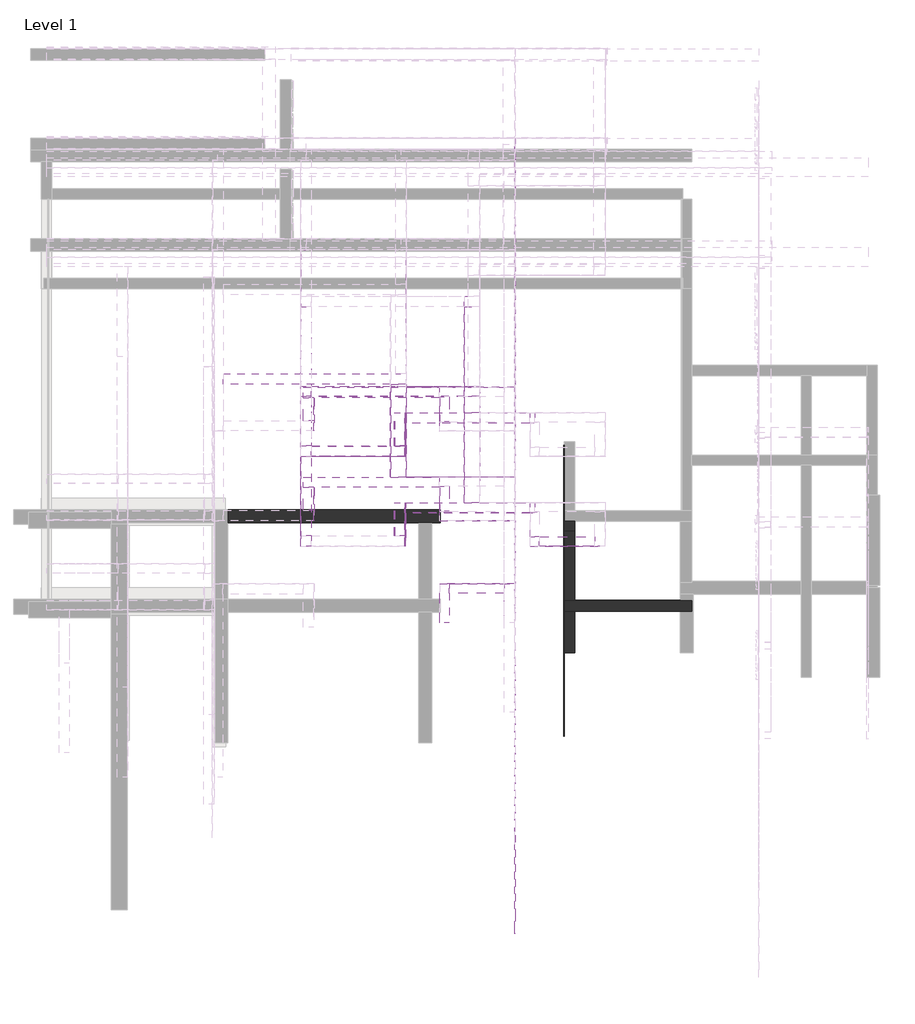
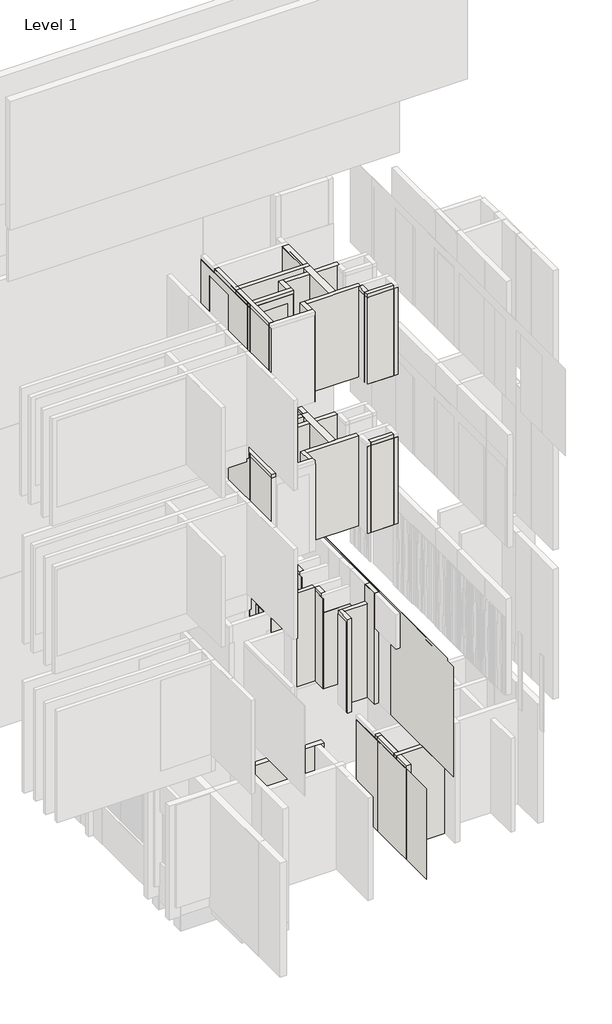
# One storey, part 3 of 16: 67 walls.
"""IFC4 building model written with IfcOpenShell, lengths in millimetres."""

from ifc_helpers import new_model, si_unit, frame, origin, origin_with_axes, place, context, project, spatial, polyline, outline, extrude, faceted_brep, element, save

model = new_model("IFC4")

# Units and contexts
model_context = context("Model", 3, world=origin())
ifc_project = project(units=[si_unit("LENGTHUNIT", "METRE", prefix="MILLI")], contexts=[model_context])

# Site, building, storey
site = spatial("IfcSite", under=ifc_project)
building = spatial("IfcBuilding", under=site)
storey = spatial("IfcBuildingStorey", under=building, Name="Level 1", Elevation=0.0)

# Walls
placement = place(None, origin())
element("IfcWall", 1, at=placement, inside=storey, context=model_context, shape_type="Brep", body=[
    faceted_brep([(8486.7910444, 5235.4496323, 2700.0), (8486.7910444, 5235.4496323, 0.0), (8368.7910444, 5235.4496323, 0.0), (8366.7910444, 5235.4496323, 0.0), (7158.7910444, 5235.4496323, 0.0), (7156.7910444, 5235.4496323, 0.0), (7038.7910444, 5235.4496323, 0.0), (7038.7910444, 5235.4496323, 2700.0), (7156.7910444, 5235.4496323, 2700.0), (7158.7910444, 5235.4496323, 2700.0), (8486.7910444, 5117.4496323, 0.0), (8486.7910444, 5117.4496323, 2700.0), (7038.7910444, 5117.4496323, 2700.0), (7038.7910444, 5117.4496323, 0.0)], [[[0, 1, 2, 3, 4, 5, 6, 7, 8, 9]], [[10, 11, 12, 13]], [[6, 5, 4, 3, 2, 1, 10, 13]], [[0, 9, 8, 7, 12, 11]], [[0, 11, 10, 1]], [[7, 6, 13, 12]]]),
])
element("IfcWall", 2, at=placement, inside=storey, context=model_context, shape_type="Brep", body=[
    faceted_brep([(6081.7910444, 7665.119403, 13100.0), (5950.7910444, 7665.119403, 13100.0), (4171.7910444, 7665.119403, 13100.0), (4053.7910444, 7665.119403, 13100.0), (4053.7910444, 7665.119403, 15700.0), (4171.7910444, 7665.119403, 15700.0), (5950.7910444, 7665.119403, 15700.0), (6081.7910444, 7665.119403, 15700.0), (6081.7910444, 7547.119403, 13100.0), (6081.7910444, 7547.119403, 15700.0), (5905.7910444, 7547.119403, 15700.0), (4171.7910444, 7547.119403, 15700.0), (4053.7910444, 7547.119403, 15700.0), (4053.7910444, 7547.119403, 13100.0), (4171.7910444, 7547.119403, 13100.0), (5905.7910444, 7547.119403, 13100.0)], [[[0, 1, 2, 3, 4, 5, 6, 7]], [[8, 9, 10, 11, 12, 13, 14, 15]], [[3, 2, 1, 0, 8, 15, 14, 13]], [[7, 6, 5, 4, 12, 11, 10, 9]], [[4, 3, 13, 12]], [[0, 7, 9, 8]]]),
])
element("IfcWall", 3, at=placement, inside=storey, context=model_context, shape_type="SweptSolid", body=[
    extrude(outline(polyline([(4053.7910444, 5970.119403), (4053.7910444, 7547.119403), (4171.7910444, 7547.119403), (4171.7910444, 5970.119403), (4053.7910444, 5970.119403)])), frame((0.0, 0.0, 13100.0), z_axis=(0.0, 0.0, 1.0), x_axis=(1.0, 0.0, 0.0)), (0.0, 0.0, 1.0), 2600.0),
])
element("IfcWall", 4, at=placement, inside=storey, context=model_context, shape_type="Brep", body=[
    faceted_brep([(6081.7910444, 6345.119403, 8800.0), (6081.7910444, 7665.119403, 8800.0), (6081.7910444, 7665.119403, 11400.0), (6081.7910444, 6345.119403, 11400.0), (5905.7910444, 6345.119403, 8800.0), (5905.7910444, 6345.119403, 11400.0), (5905.7910444, 7547.119403, 11400.0), (5905.7910444, 7665.119403, 11400.0), (5905.7910444, 7665.119403, 8800.0), (5905.7910444, 7547.119403, 8800.0)], [[[0, 1, 2, 3]], [[4, 5, 6, 7, 8, 9]], [[1, 0, 4, 9, 8]], [[3, 2, 7, 6, 5]], [[0, 3, 5, 4]], [[2, 1, 8, 7]]]),
])
element("IfcWall", 5, at=placement, inside=storey, context=model_context, shape_type="Brep", body=[
    faceted_brep([(7038.7910444, 6022.4496323, 0.0), (7038.7910444, 5235.4496323, 0.0), (7038.7910444, 5235.4496323, 2700.0), (7038.7910444, 6022.4496323, 2700.0), (7156.7910444, 6022.4496323, 0.0), (7156.7910444, 6022.4496323, 2700.0), (7156.7910444, 5235.4496323, 2700.0), (7156.7910444, 5235.4496323, 2600.0), (7156.7910444, 5235.4496323, 0.0), (7156.7910444, 5237.4496323, 0.0)], [[[0, 1, 2, 3]], [[4, 5, 6, 7, 8, 9]], [[1, 0, 4, 9, 8]], [[3, 2, 6, 5]], [[0, 3, 5, 4]], [[1, 8, 7, 6, 2]]]),
])
element("IfcWall", 6, at=placement, inside=storey, context=model_context, shape_type="Brep", body=[
    faceted_brep([(7386.7910444, 5957.119403, 13100.0), (6758.7910444, 5957.119403, 13100.0), (6653.7910444, 5957.119403, 13100.0), (6653.7910444, 5957.119403, 15700.0), (6758.7910444, 5957.119403, 15700.0), (7386.7910444, 5957.119403, 15700.0), (7386.7910444, 5852.119403, 13100.0), (7386.7910444, 5852.119403, 15700.0), (6653.7910444, 5852.119403, 15700.0), (6653.7910444, 5852.119403, 13100.0)], [[[0, 1, 2, 3, 4, 5]], [[6, 7, 8, 9]], [[2, 1, 0, 6, 9]], [[5, 4, 3, 8, 7]], [[0, 5, 7, 6]], [[3, 2, 9, 8]]]),
])
element("IfcWall", 7, at=placement, inside=storey, context=model_context, shape_type="SweptSolid", body=[
    extrude(outline(polyline([(6758.7910444, 6240.119403), (6758.7910444, 5957.119403), (6653.7910444, 5957.119403), (6653.7910444, 6227.119403), (6706.2910444, 6227.119403), (6706.2910444, 6240.119403), (6758.7910444, 6240.119403)])), frame((0.0, 0.0, 13100.0), z_axis=(0.0, 0.0, 1.0), x_axis=(1.0, 0.0, 0.0)), (0.0, 0.0, 1.0), 2600.0),
])
element("IfcWall", 8, at=placement, inside=storey, context=model_context, shape_type="Brep", body=[
    faceted_brep([(5231.7910444, 5970.119403, 13100.0), (5231.7910444, 6227.119403, 13100.0), (5231.7910444, 6345.119403, 13100.0), (5231.7910444, 6345.119403, 15700.0), (5231.7910444, 6227.119403, 15700.0), (5231.7910444, 5970.119403, 15700.0), (5113.7910444, 5970.119403, 13100.0), (5113.7910444, 5970.119403, 15700.0), (5113.7910444, 6345.119403, 15700.0), (5113.7910444, 6345.119403, 13100.0)], [[[0, 1, 2, 3, 4, 5]], [[6, 7, 8, 9]], [[2, 1, 0, 6, 9]], [[5, 4, 3, 8, 7]], [[0, 5, 7, 6]], [[3, 2, 9, 8]]]),
])
element("IfcWall", 9, at=placement, inside=storey, context=model_context, shape_type="SweptSolid", body=[
    extrude(outline(polyline([(8355.7910444, 5235.4496323), (7156.7910444, 5235.4496323), (7156.7910444, 5237.4496323), (8355.7910444, 5237.4496323), (8355.7910444, 5235.4496323)])), origin_with_axes(), (0.0, 0.0, 1.0), 2600.0),
])
element("IfcWall", 10, at=placement, inside=storey, context=model_context, shape_type="SweptSolid", body=[
    extrude(outline(polyline([(7158.7910444, 5822.4496323), (7158.7910444, 5235.4496323), (7156.7910444, 5235.4496323), (7156.7910444, 5822.4496323), (7158.7910444, 5822.4496323)])), origin_with_axes(), (0.0, 0.0, 1.0), 2700.0),
])
element("IfcWall", 11, at=placement, inside=storey, context=model_context, shape_type="SweptSolid", body=[
    extrude(outline(polyline([(7036.7910444, 3699.119403), (7036.7910444, 5980.4496323), (7038.7910444, 5980.4496323), (7038.7910444, 3699.119403), (7036.7910444, 3699.119403)])), origin_with_axes(), (0.0, 0.0, 1.0), 2600.0),
])
element("IfcWall", 12, at=placement, inside=storey, context=model_context, shape_type="Brep", body=[
    faceted_brep([(4203.7910444, 6142.119403, 4500.0), (4203.7910444, 6513.619403, 4500.0), (4203.7910444, 6513.619403, 7100.0), (4203.7910444, 6142.119403, 7100.0), (4203.7910444, 6142.119403, 6700.0), (4201.7910444, 6142.119403, 4500.0), (4201.7910444, 6142.119403, 7100.0), (4201.7910444, 6513.619403, 7100.0), (4201.7910444, 6513.619403, 4500.0)], [[[0, 1, 2, 3, 4]], [[5, 6, 7, 8]], [[1, 0, 5, 8]], [[2, 1, 8, 7]], [[3, 2, 7, 6]], [[0, 4, 3, 6, 5]]]),
])
element("IfcWall", 13, at=placement, inside=storey, context=model_context, shape_type="Brep", body=[
    faceted_brep([(5626.7910444, 6513.619403, 4500.0), (5626.7910444, 6140.119403, 4500.0), (5626.7910444, 6140.119403, 7100.0), (5626.7910444, 6513.619403, 7100.0), (5628.7910444, 6513.619403, 4500.0), (5628.7910444, 6513.619403, 7100.0), (5628.7910444, 6140.119403, 7100.0), (5628.7910444, 6140.119403, 6700.0), (5628.7910444, 6140.119403, 4500.0), (5628.7910444, 6142.119403, 4500.0)], [[[0, 1, 2, 3]], [[4, 5, 6, 7, 8, 9]], [[1, 0, 4, 9, 8]], [[3, 2, 6, 5]], [[0, 3, 5, 4]], [[2, 1, 8, 7, 6]]]),
])
element("IfcWall", 14, at=placement, inside=storey, context=model_context, shape_type="Brep", body=[
    faceted_brep([(5628.7910444, 6140.119403, 4500.0), (6479.7910444, 6140.119403, 4500.0), (6479.7910444, 6140.119403, 4508.0), (6481.7910444, 6140.119403, 4508.0), (6481.7910444, 6140.119403, 6700.0), (5628.7910444, 6140.119403, 6700.0), (5628.7910444, 6142.119403, 4500.0), (5628.7910444, 6142.119403, 6700.0), (6479.7910444, 6142.119403, 6700.0), (6481.7910444, 6142.119403, 6700.0), (6481.7910444, 6142.119403, 4508.0), (6479.7910444, 6142.119403, 4508.0), (6479.7910444, 6142.119403, 4500.0), (6361.7910444, 6142.119403, 4500.0)], [[[0, 1, 2, 3, 4, 5]], [[6, 7, 8, 9, 10, 11, 12, 13]], [[1, 0, 6, 13, 12]], [[5, 4, 9, 8, 7]], [[0, 5, 7, 6]], [[10, 3, 2, 11]], [[2, 1, 12, 11]], [[4, 3, 10, 9]]]),
])
element("IfcWall", 15, at=placement, inside=storey, context=model_context, shape_type="Brep", body=[
    faceted_brep([(6481.7910444, 6637.119403, 4500.0), (5248.7910444, 6637.119403, 4500.0), (5246.7910444, 6637.119403, 4500.0), (5246.7910444, 6637.119403, 6800.0), (5248.7910444, 6637.119403, 6800.0), (6479.7910444, 6637.119403, 6800.0), (6479.7910444, 6637.119403, 6700.0), (6481.7910444, 6637.119403, 6700.0), (6481.7910444, 6635.119403, 4500.0), (6481.7910444, 6635.119403, 4508.0), (6481.7910444, 6635.119403, 6700.0), (6479.7910444, 6635.119403, 6700.0), (6479.7910444, 6635.119403, 6800.0), (5246.7910444, 6635.119403, 6800.0), (5246.7910444, 6635.119403, 4500.0)], [[[0, 1, 2, 3, 4, 5, 6, 7]], [[8, 9, 10, 11, 12, 13, 14]], [[2, 1, 0, 8, 14]], [[5, 4, 3, 13, 12]], [[3, 2, 14, 13]], [[6, 11, 10, 7]], [[0, 7, 10, 9, 8]], [[6, 5, 12, 11]]]),
])
element("IfcWall", 16, at=placement, inside=storey, context=model_context, shape_type="SweptSolid", body=[
    extrude(outline(polyline([(5070.7910444, 7683.619403), (5070.7910444, 6636.119403), (5068.7910444, 6636.119403), (5068.7910444, 7683.619403), (5070.7910444, 7683.619403)])), frame((0.0, 0.0, 4500.0), z_axis=(0.0, 0.0, 1.0), x_axis=(1.0, 0.0, 0.0)), (0.0, 0.0, 1.0), 2600.0),
])
element("IfcWall", 17, at=placement, inside=storey, context=model_context, shape_type="Brep", body=[
    faceted_brep([(6479.7910444, 4411.119403, 4500.0), (6479.7910444, 1459.119403, 4500.0), (6479.7910444, 1459.119403, 7675.0), (6479.7910444, 1744.119403, 7675.0), (6479.7910444, 1744.119403, 7745.0), (6479.7910444, 10474.119403, 7745.0), (6479.7910444, 10474.119403, 4508.0), (6479.7910444, 9208.119403, 4508.0), (6479.7910444, 9208.119403, 6700.0), (6479.7910444, 6637.119403, 6700.0), (6479.7910444, 6635.119403, 6700.0), (6479.7910444, 6635.119403, 4508.0), (6479.7910444, 6142.119403, 4508.0), (6479.7910444, 6142.119403, 6700.0), (6479.7910444, 4411.119403, 6700.0), (6481.7910444, 4411.119403, 4500.0), (6481.7910444, 4411.119403, 6700.0), (6481.7910444, 6140.119403, 6700.0), (6481.7910444, 6142.119403, 6700.0), (6481.7910444, 6142.119403, 4508.0), (6481.7910444, 6635.119403, 4508.0), (6481.7910444, 6635.119403, 6700.0), (6481.7910444, 6637.119403, 6700.0), (6481.7910444, 9208.119403, 6700.0), (6481.7910444, 9208.119403, 4508.0), (6481.7910444, 10474.119403, 4508.0), (6481.7910444, 10474.119403, 7745.0), (6481.7910444, 1744.119403, 7745.0), (6481.7910444, 1744.119403, 7675.0), (6481.7910444, 1459.119403, 7675.0), (6481.7910444, 1459.119403, 4500.0)], [[[0, 1, 2, 3, 4, 5, 6, 7, 8, 9, 10, 11, 12, 13, 14]], [[15, 16, 17, 18, 19, 20, 21, 22, 23, 24, 25, 26, 27, 28, 29, 30]], [[1, 0, 15, 30]], [[2, 1, 30, 29]], [[5, 4, 27, 26]], [[0, 14, 16, 15]], [[3, 2, 29, 28]], [[4, 3, 28, 27]], [[14, 13, 18, 17, 16]], [[7, 6, 25, 24]], [[10, 9, 8, 23, 22, 21]], [[12, 11, 20, 19]], [[13, 12, 19, 18]], [[11, 10, 21, 20]], [[6, 5, 26, 25]], [[8, 7, 24, 23]]]),
])
element("IfcWall", 18, at=placement, inside=storey, context=model_context, shape_type="SweptSolid", body=[
    extrude(outline(polyline([(5905.7910444, 7543.619403), (5905.7910444, 6346.119403), (5903.7910444, 6346.119403), (5903.7910444, 7543.619403), (5905.7910444, 7543.619403)])), frame((0.0, 0.0, 8800.0), z_axis=(0.0, 0.0, 1.0), x_axis=(1.0, 0.0, 0.0)), (0.0, 0.0, 1.0), 2600.0),
])
element("IfcWall", 19, at=placement, inside=storey, context=model_context, shape_type="Brep", body=[
    faceted_brep([(6706.2910444, 6345.119403, 13100.0), (6081.7910444, 6345.119403, 13100.0), (5905.7910444, 6345.119403, 13100.0), (5231.7910444, 6345.119403, 13100.0), (5231.7910444, 6345.119403, 15700.0), (5905.7910444, 6345.119403, 15700.0), (6081.7910444, 6345.119403, 15700.0), (6706.2910444, 6345.119403, 15700.0), (6706.2910444, 6227.119403, 13100.0), (6706.2910444, 6227.119403, 15700.0), (6653.7910444, 6227.119403, 15700.0), (5231.7910444, 6227.119403, 15700.0), (5231.7910444, 6227.119403, 13100.0), (6653.7910444, 6227.119403, 13100.0), (6706.2910444, 6240.119403, 13100.0), (6706.2910444, 6240.119403, 15700.0)], [[[0, 1, 2, 3, 4, 5, 6, 7]], [[8, 9, 10, 11, 12, 13]], [[3, 2, 1, 0, 14, 8, 13, 12]], [[7, 6, 5, 4, 11, 10, 9, 15]], [[0, 7, 15, 9, 8, 14]], [[4, 3, 12, 11]]]),
])
element("IfcWall", 20, at=placement, inside=storey, context=model_context, shape_type="SweptSolid", body=[
    extrude(outline(polyline([(4201.7910444, 6517.119403), (4201.7910444, 6260.119403), (4083.7910444, 6260.119403), (4083.7910444, 6517.119403), (4201.7910444, 6517.119403)])), frame((0.0, 0.0, 4500.0), z_axis=(0.0, 0.0, 1.0), x_axis=(1.0, 0.0, 0.0)), (0.0, 0.0, 1.0), 2700.0),
])
element("IfcWall", 21, at=placement, inside=storey, context=model_context, shape_type="Brep", body=[
    faceted_brep([(3171.7910444, 7687.119403, 4500.0), (5070.7910444, 7687.119403, 4500.0), (5246.7910444, 7687.119403, 4500.0), (5246.7910444, 7687.119403, 7200.0), (5070.7910444, 7687.119403, 7200.0), (3171.7910444, 7687.119403, 7200.0), (3171.7910444, 7805.119403, 4500.0), (3171.7910444, 7805.119403, 7200.0), (5128.7910444, 7805.119403, 7200.0), (5246.7910444, 7805.119403, 7200.0), (5246.7910444, 7805.119403, 4500.0), (5128.7910444, 7805.119403, 4500.0)], [[[0, 1, 2, 3, 4, 5]], [[6, 7, 8, 9, 10, 11]], [[2, 1, 0, 6, 11, 10]], [[5, 4, 3, 9, 8, 7]], [[0, 5, 7, 6]], [[3, 2, 10, 9]]]),
])
element("IfcWall", 22, at=placement, inside=storey, context=model_context, shape_type="SweptSolid", body=[
    extrude(outline(polyline([(5733.7910444, 6530.119403), (5733.7910444, 6247.119403), (5628.7910444, 6247.119403), (5628.7910444, 6530.119403), (5733.7910444, 6530.119403)])), frame((0.0, 0.0, 4500.0), z_axis=(0.0, 0.0, 1.0), x_axis=(1.0, 0.0, 0.0)), (0.0, 0.0, 1.0), 2700.0),
])
element("IfcWall", 23, at=placement, inside=storey, context=model_context, shape_type="Brep", body=[
    faceted_brep([(4083.7910444, 6517.119403, 4500.0), (4201.7910444, 6517.119403, 4500.0), (5625.2910444, 6517.119403, 4500.0), (5625.2910444, 6517.119403, 7200.0), (4201.7910444, 6517.119403, 7200.0), (4083.7910444, 6517.119403, 7200.0), (4083.7910444, 6635.119403, 4500.0), (4083.7910444, 6635.119403, 7200.0), (5070.7910444, 6635.119403, 7200.0), (5246.7910444, 6635.119403, 7200.0), (5625.2910444, 6635.119403, 7200.0), (5625.2910444, 6635.119403, 4500.0), (5246.7910444, 6635.119403, 4500.0), (5070.7910444, 6635.119403, 4500.0), (5625.2910444, 6530.119403, 4500.0), (5625.2910444, 6530.119403, 7200.0)], [[[0, 1, 2, 3, 4, 5]], [[6, 7, 8, 9, 10, 11, 12, 13]], [[2, 1, 0, 6, 13, 12, 11, 14]], [[3, 2, 14, 11, 10, 15]], [[5, 4, 3, 15, 10, 9, 8, 7]], [[0, 5, 7, 6]]]),
])
element("IfcWall", 24, at=placement, inside=storey, context=model_context, shape_type="SweptSolid", body=[
    extrude(outline(polyline([(5246.7910444, 7687.119403), (5246.7910444, 6635.119403), (5070.7910444, 6635.119403), (5070.7910444, 7687.119403), (5246.7910444, 7687.119403)])), frame((0.0, 0.0, 4500.0), z_axis=(0.0, 0.0, 1.0), x_axis=(1.0, 0.0, 0.0)), (0.0, 0.0, 1.0), 2700.0),
])
element("IfcWall", 25, at=placement, inside=storey, context=model_context, shape_type="Brep", body=[
    faceted_brep([(4053.7910444, 9210.119403, 8800.0), (4053.7910444, 5852.119403, 8800.0), (4053.7910444, 5852.119403, 11400.0), (4053.7910444, 9210.119403, 11400.0), (4171.7910444, 9210.119403, 8800.0), (4171.7910444, 9210.119403, 11400.0), (4171.7910444, 8681.1090398, 11400.0), (4171.7910444, 8563.1090398, 11400.0), (4171.7910444, 7665.119403, 11400.0), (4171.7910444, 7547.119403, 11400.0), (4171.7910444, 5970.119403, 11400.0), (4171.7910444, 5852.119403, 11400.0), (4171.7910444, 5852.119403, 8800.0), (4171.7910444, 5970.119403, 8800.0), (4171.7910444, 7547.119403, 8800.0), (4171.7910444, 7665.119403, 8800.0), (4171.7910444, 8563.1090398, 8800.0), (4171.7910444, 8681.1090398, 8800.0)], [[[0, 1, 2, 3]], [[4, 5, 6, 7, 8, 9, 10, 11, 12, 13, 14, 15, 16, 17]], [[1, 0, 4, 17, 16, 15, 14, 13, 12]], [[3, 2, 11, 10, 9, 8, 7, 6, 5]], [[2, 1, 12, 11]], [[0, 3, 5, 4]]]),
])
element("IfcWall", 26, at=placement, inside=storey, context=model_context, shape_type="SweptSolid", body=[
    extrude(outline(polyline([(5852.119403, 11300.0), (9206.619403, 11300.0), (9206.619403, 8800.0), (8764.119403, 8800.0), (8764.119403, 11071.0), (7887.119403, 11071.0), (7887.119403, 8800.0), (5852.119403, 8800.0), (5852.119403, 11300.0)])), frame((4051.7910444, 0.0, 0.0), z_axis=(1.0, 0.0, 0.0), x_axis=(0.0, 1.0, 0.0)), (0.0, 0.0, 1.0), 2.0),
])
element("IfcWall", 27, at=placement, inside=storey, context=model_context, shape_type="SweptSolid", body=[
    extrude(outline(polyline([(6758.7910444, 5957.119403), (7386.7910444, 5957.119403), (7386.7910444, 5852.119403), (6758.7910444, 5852.119403), (6758.7910444, 5957.119403)])), frame((0.0, 0.0, 8800.0), z_axis=(0.0, 0.0, 1.0), x_axis=(1.0, 0.0, 0.0)), (0.0, 0.0, 1.0), 2600.0),
])
element("IfcWall", 28, at=placement, inside=storey, context=model_context, shape_type="Brep", body=[
    faceted_brep([(6653.7910444, 5850.119403, 8800.0), (7506.7910444, 5850.119403, 8800.0), (7506.7910444, 5850.119403, 11300.0), (6653.7910444, 5850.119403, 11300.0), (6653.7910444, 5852.119403, 8800.0), (6653.7910444, 5852.119403, 11300.0), (7504.7910444, 5852.119403, 11300.0), (7506.7910444, 5852.119403, 11300.0), (7506.7910444, 5852.119403, 8800.0), (7504.7910444, 5852.119403, 8800.0)], [[[0, 1, 2, 3]], [[4, 5, 6, 7, 8, 9]], [[1, 0, 4, 9, 8]], [[3, 2, 7, 6, 5]], [[0, 3, 5, 4]], [[2, 1, 8, 7]]]),
])
element("IfcWall", 29, at=placement, inside=storey, context=model_context, shape_type="Brep", body=[
    faceted_brep([(6647.6745009, 6345.119403, 8800.0), (6081.7910444, 6345.119403, 8800.0), (5905.7910444, 6345.119403, 8800.0), (5241.7910444, 6345.119403, 8800.0), (5241.7910444, 6345.119403, 11400.0), (5905.7910444, 6345.119403, 11400.0), (6081.7910444, 6345.119403, 11400.0), (6647.6745009, 6345.119403, 11400.0), (6647.6745009, 6227.119403, 8800.0), (6647.6745009, 6227.119403, 11400.0), (5241.7910444, 6227.119403, 11400.0), (5241.7910444, 6227.119403, 8800.0), (6647.6745009, 6240.119403, 8800.0), (6647.6745009, 6240.119403, 11400.0)], [[[0, 1, 2, 3, 4, 5, 6, 7]], [[8, 9, 10, 11]], [[3, 2, 1, 0, 12, 8, 11]], [[7, 6, 5, 4, 10, 9, 13]], [[0, 7, 13, 9, 8, 12]], [[4, 3, 11, 10]]]),
])
element("IfcWall", 30, at=placement, inside=storey, context=model_context, shape_type="Brep", body=[
    faceted_brep([(5241.7910444, 5970.119403, 8800.0), (5241.7910444, 6227.119403, 8800.0), (5241.7910444, 6345.119403, 8800.0), (5241.7910444, 6345.119403, 11400.0), (5241.7910444, 6227.119403, 11400.0), (5241.7910444, 5970.119403, 11400.0), (5123.7910444, 5970.119403, 8800.0), (5123.7910444, 5970.119403, 11400.0), (5123.7910444, 6345.119403, 11400.0), (5123.7910444, 6345.119403, 8800.0)], [[[0, 1, 2, 3, 4, 5]], [[6, 7, 8, 9]], [[2, 1, 0, 6, 9]], [[5, 4, 3, 8, 7]], [[0, 5, 7, 6]], [[3, 2, 9, 8]]]),
])
element("IfcWall", 31, at=placement, inside=storey, context=model_context, shape_type="SweptSolid", body=[
    extrude(outline(polyline([(5243.7910444, 6223.619403), (5243.7910444, 5852.119403), (5241.7910444, 5852.119403), (5241.7910444, 6223.619403), (5243.7910444, 6223.619403)])), frame((0.0, 0.0, 8800.0), z_axis=(0.0, 0.0, 1.0), x_axis=(1.0, 0.0, 0.0)), (0.0, 0.0, 1.0), 2500.0),
])
element("IfcWall", 32, at=placement, inside=storey, context=model_context, shape_type="SweptSolid", body=[
    extrude(outline(polyline([(5905.7910444, 7547.119403), (4171.7910444, 7547.119403), (4171.7910444, 7665.119403), (5905.7910444, 7665.119403), (5905.7910444, 7547.119403)])), frame((0.0, 0.0, 8800.0), z_axis=(0.0, 0.0, 1.0), x_axis=(1.0, 0.0, 0.0)), (0.0, 0.0, 1.0), 2600.0),
])
element("IfcWall", 33, at=placement, inside=storey, context=model_context, shape_type="SweptSolid", body=[
    extrude(outline(polyline([(6081.7910444, 7547.119403), (6081.7910444, 6345.119403), (5905.7910444, 6345.119403), (5905.7910444, 7547.119403), (6081.7910444, 7547.119403)])), frame((0.0, 0.0, 13100.0), z_axis=(0.0, 0.0, 1.0), x_axis=(1.0, 0.0, 0.0)), (0.0, 0.0, 1.0), 2600.0),
])
element("IfcWall", 34, at=placement, inside=storey, context=model_context, shape_type="Brep", body=[
    faceted_brep([(4053.7910444, 9206.619403, 13100.0), (4053.7910444, 9206.619403, 15600.0), (4053.7910444, 5852.119403, 15600.0), (4053.7910444, 5850.119403, 15600.0), (4053.7910444, 5850.119403, 13100.0), (4053.7910444, 5852.119403, 13100.0), (4053.7910444, 7887.119403, 13100.0), (4053.7910444, 7887.119403, 15371.0), (4053.7910444, 8777.119403, 15371.0), (4053.7910444, 8777.119403, 13100.0), (4051.7910444, 9206.619403, 15600.0), (4051.7910444, 9206.619403, 13100.0), (4051.7910444, 8777.119403, 13100.0), (4051.7910444, 8777.119403, 15371.0), (4051.7910444, 7887.119403, 15371.0), (4051.7910444, 7887.119403, 13100.0), (4051.7910444, 5850.119403, 13100.0), (4051.7910444, 5850.119403, 15600.0)], [[[0, 1, 2, 3, 4, 5, 6, 7, 8, 9]], [[10, 11, 12, 13, 14, 15, 16, 17]], [[11, 0, 9, 12]], [[4, 16, 15, 6, 5]], [[1, 0, 11, 10]], [[3, 2, 1, 10, 17]], [[4, 3, 17, 16]], [[7, 14, 13, 8]], [[14, 7, 6, 15]], [[8, 13, 12, 9]]]),
])
element("IfcWall", 35, at=placement, inside=storey, context=model_context, shape_type="SweptSolid", body=[
    extrude(outline(polyline([(5233.7910444, 6223.619403), (5233.7910444, 5852.119403), (5231.7910444, 5852.119403), (5231.7910444, 6223.619403), (5233.7910444, 6223.619403)])), frame((0.0, 0.0, 13100.0), z_axis=(0.0, 0.0, 1.0), x_axis=(1.0, 0.0, 0.0)), (0.0, 0.0, 1.0), 2500.0),
])
element("IfcWall", 36, at=placement, inside=storey, context=model_context, shape_type="Brep", body=[
    faceted_brep([(6653.7910444, 5850.119403, 13100.0), (7506.7910444, 5850.119403, 13100.0), (7506.7910444, 5850.119403, 15600.0), (6653.7910444, 5850.119403, 15600.0), (6653.7910444, 5852.119403, 13100.0), (6653.7910444, 5852.119403, 15600.0), (7504.7910444, 5852.119403, 15600.0), (7506.7910444, 5852.119403, 15600.0), (7506.7910444, 5852.119403, 13100.0), (7504.7910444, 5852.119403, 13100.0)], [[[0, 1, 2, 3]], [[4, 5, 6, 7, 8, 9]], [[1, 0, 4, 9, 8]], [[3, 2, 7, 6, 5]], [[0, 3, 5, 4]], [[2, 1, 8, 7]]]),
])
element("IfcWall", 37, at=placement, inside=storey, context=model_context, shape_type="SweptSolid", body=[
    extrude(outline(polyline([(5905.7910444, 7543.619403), (5905.7910444, 6346.119403), (5903.7910444, 6346.119403), (5903.7910444, 7543.619403), (5905.7910444, 7543.619403)])), frame((0.0, 0.0, 13100.0), z_axis=(0.0, 0.0, 1.0), x_axis=(1.0, 0.0, 0.0)), (0.0, 0.0, 1.0), 2600.0),
])
element("IfcWall", 38, at=placement, inside=storey, context=model_context, shape_type="Brep", body=[
    faceted_brep([(5636.9577487, 6264.4392691, 0.0), (3225.9284117, 6264.4392691, 0.0), (3225.9284117, 6264.4392691, 2950.0), (5636.9577487, 6264.4392691, 2950.0), (5636.9577487, 6120.4392691, 0.0), (5636.9577487, 6120.4392691, 2950.0), (5536.1943279, 6120.4392691, 2950.0), (5392.1943279, 6120.4392691, 2950.0), (3225.9284117, 6120.4392691, 2950.0), (3225.9284117, 6120.4392691, 0.0), (5392.1943279, 6120.4392691, 0.0), (5536.1943279, 6120.4392691, 0.0)], [[[0, 1, 2, 3]], [[4, 5, 6, 7, 8, 9, 10, 11]], [[1, 0, 4, 11, 10, 9]], [[3, 2, 8, 7, 6, 5]], [[0, 3, 5, 4]], [[1, 9, 8, 2]]]),
])
element("IfcWall", 39, at=placement, inside=storey, context=model_context, shape_type="Brep", body=[
    faceted_brep([(4053.7910444, 6868.1090398, 13100.0), (5231.7910444, 6868.1090398, 13100.0), (5231.7910444, 6868.1090398, 15700.0), (4053.7910444, 6868.1090398, 15700.0), (4053.7910444, 6986.1090398, 13100.0), (4053.7910444, 6986.1090398, 15700.0), (4171.7910444, 6986.1090398, 15700.0), (5113.7910444, 6986.1090398, 15700.0), (5231.7910444, 6986.1090398, 15700.0), (5231.7910444, 6986.1090398, 13100.0), (5113.7910444, 6986.1090398, 13100.0), (4171.7910444, 6986.1090398, 13100.0)], [[[0, 1, 2, 3]], [[4, 5, 6, 7, 8, 9, 10, 11]], [[1, 0, 4, 11, 10, 9]], [[3, 2, 8, 7, 6, 5]], [[2, 1, 9, 8]], [[0, 3, 5, 4]]]),
])
element("IfcWall", 40, at=placement, inside=storey, context=model_context, shape_type="SweptSolid", body=[
    extrude(outline(polyline([(4053.7910444, 6986.1090398), (4053.7910444, 8563.1090398), (4171.7910444, 8563.1090398), (4171.7910444, 6986.1090398), (4053.7910444, 6986.1090398)])), frame((0.0, 0.0, 13100.0), z_axis=(0.0, 0.0, 1.0), x_axis=(1.0, 0.0, 0.0)), (0.0, 0.0, 1.0), 2600.0),
])
element("IfcWall", 41, at=placement, inside=storey, context=model_context, shape_type="Brep", body=[
    faceted_brep([(6081.7910444, 7361.1090398, 8800.0), (6081.7910444, 8681.1090398, 8800.0), (6081.7910444, 8681.1090398, 11400.0), (6081.7910444, 7361.1090398, 11400.0), (6081.7910444, 7361.1090398, 11300.0), (5905.7910444, 7361.1090398, 8800.0), (5905.7910444, 7361.1090398, 11400.0), (5905.7910444, 8563.1090398, 11400.0), (5905.7910444, 8681.1090398, 11400.0), (5905.7910444, 8681.1090398, 8800.0), (5905.7910444, 8563.1090398, 8800.0)], [[[0, 1, 2, 3, 4]], [[5, 6, 7, 8, 9, 10]], [[1, 0, 5, 10, 9]], [[3, 2, 8, 7, 6]], [[0, 4, 3, 6, 5]], [[2, 1, 9, 8]]]),
])
element("IfcWall", 42, at=placement, inside=storey, context=model_context, shape_type="Brep", body=[
    faceted_brep([(7038.7910444, 6133.4392691, 0.0), (7038.7910444, 4642.1090398, 0.0), (7038.7910444, 4642.1090398, 2700.0), (7038.7910444, 6133.4392691, 2700.0), (7156.7910444, 6133.4392691, 0.0), (7156.7910444, 6133.4392691, 2700.0), (7156.7910444, 4642.1090398, 2700.0), (7156.7910444, 4642.1090398, 0.0), (7156.7910444, 5235.4496323, 0.0), (7156.7910444, 5237.4496323, 0.0)], [[[0, 1, 2, 3]], [[4, 5, 6, 7, 8, 9]], [[1, 0, 4, 9, 8, 7]], [[2, 1, 7, 6]], [[3, 2, 6, 5]], [[0, 3, 5, 4]]]),
])
element("IfcWall", 43, at=placement, inside=storey, context=model_context, shape_type="Brep", body=[
    faceted_brep([(5231.7910444, 6986.1090398, 13100.0), (5231.7910444, 7243.1090398, 13100.0), (5231.7910444, 7361.1090398, 13100.0), (5231.7910444, 7361.1090398, 15700.0), (5231.7910444, 7243.1090398, 15700.0), (5231.7910444, 6986.1090398, 15700.0), (5113.7910444, 6986.1090398, 13100.0), (5113.7910444, 6986.1090398, 15700.0), (5113.7910444, 7361.1090398, 15700.0), (5113.7910444, 7361.1090398, 13100.0)], [[[0, 1, 2, 3, 4, 5]], [[6, 7, 8, 9]], [[2, 1, 0, 6, 9]], [[5, 4, 3, 8, 7]], [[0, 5, 7, 6]], [[3, 2, 9, 8]]]),
])
element("IfcWall", 44, at=placement, inside=storey, context=model_context, shape_type="SweptSolid", body=[
    extrude(outline(polyline([(7036.7910444, 4715.1090398), (7036.7910444, 6996.4392691), (7038.7910444, 6996.4392691), (7038.7910444, 4715.1090398), (7036.7910444, 4715.1090398)])), origin_with_axes(), (0.0, 0.0, 1.0), 2600.0),
])
element("IfcWall", 45, at=placement, inside=storey, context=model_context, shape_type="Brep", body=[
    faceted_brep([(4203.7910444, 7158.1090398, 4500.0), (4203.7910444, 7529.6090398, 4500.0), (4203.7910444, 7529.6090398, 7100.0), (4203.7910444, 7158.1090398, 7100.0), (4203.7910444, 7158.1090398, 6700.0), (4201.7910444, 7158.1090398, 4500.0), (4201.7910444, 7158.1090398, 7100.0), (4201.7910444, 7529.6090398, 7100.0), (4201.7910444, 7529.6090398, 4500.0)], [[[0, 1, 2, 3, 4]], [[5, 6, 7, 8]], [[1, 0, 5, 8]], [[2, 1, 8, 7]], [[3, 2, 7, 6]], [[0, 4, 3, 6, 5]]]),
])
element("IfcWall", 46, at=placement, inside=storey, context=model_context, shape_type="Brep", body=[
    faceted_brep([(5626.7910444, 7529.6090398, 4500.0), (5626.7910444, 7156.1090398, 4500.0), (5626.7910444, 7156.1090398, 7100.0), (5626.7910444, 7529.6090398, 7100.0), (5628.7910444, 7529.6090398, 4500.0), (5628.7910444, 7529.6090398, 7100.0), (5628.7910444, 7156.1090398, 7100.0), (5628.7910444, 7156.1090398, 6700.0), (5628.7910444, 7156.1090398, 4500.0), (5628.7910444, 7158.1090398, 4500.0)], [[[0, 1, 2, 3]], [[4, 5, 6, 7, 8, 9]], [[1, 0, 4, 9, 8]], [[3, 2, 6, 5]], [[0, 3, 5, 4]], [[2, 1, 8, 7, 6]]]),
])
element("IfcWall", 47, at=placement, inside=storey, context=model_context, shape_type="Brep", body=[
    faceted_brep([(6481.7910444, 7653.1090398, 4500.0), (5248.7910444, 7653.1090398, 4500.0), (5246.7910444, 7653.1090398, 4500.0), (5246.7910444, 7653.1090398, 6800.0), (5248.7910444, 7653.1090398, 6800.0), (6479.7910444, 7653.1090398, 6800.0), (6479.7910444, 7653.1090398, 6700.0), (6481.7910444, 7653.1090398, 6700.0), (6481.7910444, 7651.1090398, 4500.0), (6481.7910444, 7651.1090398, 4508.0), (6481.7910444, 7651.1090398, 6700.0), (6479.7910444, 7651.1090398, 6700.0), (6479.7910444, 7651.1090398, 6800.0), (5246.7910444, 7651.1090398, 6800.0), (5246.7910444, 7651.1090398, 4500.0)], [[[0, 1, 2, 3, 4, 5, 6, 7]], [[8, 9, 10, 11, 12, 13, 14]], [[2, 1, 0, 8, 14]], [[5, 4, 3, 13, 12]], [[3, 2, 14, 13]], [[6, 11, 10, 7]], [[0, 7, 10, 9, 8]], [[6, 5, 12, 11]]]),
])
element("IfcWall", 48, at=placement, inside=storey, context=model_context, shape_type="Brep", body=[
    faceted_brep([(5628.7910444, 5426.1090398, 4500.0), (6479.7910444, 5426.1090398, 4500.0), (6481.7910444, 5426.1090398, 4500.0), (6481.7910444, 5426.1090398, 6700.0), (6479.7910444, 5426.1090398, 6700.0), (6479.7910444, 5426.1090398, 7100.0), (5628.7910444, 5426.1090398, 7100.0), (6481.7910444, 5428.1090398, 4500.0), (5628.7910444, 5428.1090398, 4500.0), (5628.7910444, 5428.1090398, 7100.0), (6479.7910444, 5428.1090398, 7100.0), (6479.7910444, 5428.1090398, 6700.0), (6481.7910444, 5428.1090398, 6700.0)], [[[0, 1, 2, 3, 4, 5, 6]], [[7, 8, 9, 10, 11, 12]], [[2, 1, 0, 8, 7]], [[6, 5, 10, 9]], [[0, 6, 9, 8]], [[4, 3, 12, 11]], [[3, 2, 7, 12]], [[5, 4, 11, 10]]]),
])
element("IfcWall", 49, at=placement, inside=storey, context=model_context, shape_type="SweptSolid", body=[
    extrude(outline(polyline([(5905.7910444, 8559.6090398), (5905.7910444, 7362.1090398), (5903.7910444, 7362.1090398), (5903.7910444, 8559.6090398), (5905.7910444, 8559.6090398)])), frame((0.0, 0.0, 8800.0), z_axis=(0.0, 0.0, 1.0), x_axis=(1.0, 0.0, 0.0)), (0.0, 0.0, 1.0), 2600.0),
])
element("IfcWall", 50, at=placement, inside=storey, context=model_context, shape_type="Brep", body=[
    faceted_brep([(5231.7910444, 7361.1090398, 15700.0), (5905.7910444, 7361.1090398, 15700.0), (6081.7910444, 7361.1090398, 15700.0), (6706.2910444, 7361.1090398, 15700.0), (6706.2910444, 7361.1090398, 13100.0), (6083.7910444, 7361.1090398, 13100.0), (6083.7910444, 7361.1090398, 15600.0), (6081.7910444, 7361.1090398, 15600.0), (6081.7910444, 7361.1090398, 13100.0), (5905.7910444, 7361.1090398, 13100.0), (5231.7910444, 7361.1090398, 13100.0), (6706.2910444, 7243.1090398, 15700.0), (6653.7910444, 7243.1090398, 15700.0), (5231.7910444, 7243.1090398, 15700.0), (5231.7910444, 7243.1090398, 13100.0), (6081.7910444, 7243.1090398, 13100.0), (6081.7910444, 7243.1090398, 15600.0), (6083.7910444, 7243.1090398, 15600.0), (6083.7910444, 7243.1090398, 13100.0), (6653.7910444, 7243.1090398, 13100.0), (6706.2910444, 7243.1090398, 13100.0), (6706.2910444, 7256.1090398, 13100.0), (6706.2910444, 7256.1090398, 15700.0)], [[[0, 1, 2, 3, 4, 5, 6, 7, 8, 9, 10]], [[11, 12, 13, 14, 15, 16, 17, 18, 19, 20]], [[4, 21, 20, 19, 18, 5]], [[14, 10, 9, 8, 15]], [[3, 2, 1, 0, 13, 12, 11, 22]], [[4, 3, 22, 11, 20, 21]], [[0, 10, 14, 13]], [[17, 6, 5, 18]], [[7, 16, 15, 8]], [[6, 17, 16, 7]]]),
])
element("IfcWall", 51, at=placement, inside=storey, context=model_context, shape_type="SweptSolid", body=[
    extrude(outline(polyline([(4201.7910444, 7533.1090398), (4201.7910444, 7276.1090398), (4083.7910444, 7276.1090398), (4083.7910444, 7533.1090398), (4201.7910444, 7533.1090398)])), frame((0.0, 0.0, 4500.0), z_axis=(0.0, 0.0, 1.0), x_axis=(1.0, 0.0, 0.0)), (0.0, 0.0, 1.0), 2700.0),
])
element("IfcWall", 52, at=placement, inside=storey, context=model_context, shape_type="SweptSolid", body=[
    extrude(outline(polyline([(5733.7910444, 7546.1090398), (5733.7910444, 7263.1090398), (5628.7910444, 7263.1090398), (5628.7910444, 7546.1090398), (5733.7910444, 7546.1090398)])), frame((0.0, 0.0, 4500.0), z_axis=(0.0, 0.0, 1.0), x_axis=(1.0, 0.0, 0.0)), (0.0, 0.0, 1.0), 2700.0),
])
element("IfcWall", 53, at=placement, inside=storey, context=model_context, shape_type="Brep", body=[
    faceted_brep([(5625.2910444, 7533.1090398, 4500.0), (5625.2910444, 7533.1090398, 7200.0), (4201.7910444, 7533.1090398, 7200.0), (4083.7910444, 7533.1090398, 7200.0), (4083.7910444, 7533.1090398, 4500.0), (4201.7910444, 7533.1090398, 4500.0), (5246.7910444, 7533.1090398, 4500.0), (5246.7910444, 7533.1090398, 6800.0), (5248.7910444, 7533.1090398, 6800.0), (5248.7910444, 7533.1090398, 4500.0), (5625.2910444, 7651.1090398, 7200.0), (5625.2910444, 7651.1090398, 4500.0), (5248.7910444, 7651.1090398, 4500.0), (5248.7910444, 7651.1090398, 6800.0), (5246.7910444, 7651.1090398, 6800.0), (5246.7910444, 7651.1090398, 4500.0), (5070.7910444, 7651.1090398, 4500.0), (4083.7910444, 7651.1090398, 4500.0), (4083.7910444, 7651.1090398, 7200.0), (5070.7910444, 7651.1090398, 7200.0), (5246.7910444, 7651.1090398, 7200.0), (5625.2910444, 7546.1090398, 4500.0), (5625.2910444, 7546.1090398, 7200.0)], [[[0, 1, 2, 3, 4, 5, 6, 7, 8, 9]], [[10, 11, 12, 13, 14, 15, 16, 17, 18, 19, 20]], [[11, 21, 0, 9, 12]], [[4, 17, 16, 15, 6, 5]], [[1, 0, 21, 11, 10, 22]], [[3, 2, 1, 22, 10, 20, 19, 18]], [[4, 3, 18, 17]], [[8, 13, 12, 9]], [[14, 7, 6, 15]], [[13, 8, 7, 14]]]),
])
element("IfcWall", 54, at=placement, inside=storey, context=model_context, shape_type="Brep", body=[
    faceted_brep([(6361.7910444, 5426.1090398, 4500.0), (6361.7910444, 5321.1090398, 4500.0), (6361.7910444, 4985.6090398, 4500.0), (6361.7910444, 4985.6090398, 7700.0), (6361.7910444, 5426.1090398, 7700.0), (6361.7910444, 5426.1090398, 7200.0), (6479.7910444, 5426.1090398, 4500.0), (6479.7910444, 5426.1090398, 7700.0), (6479.7910444, 4985.6090398, 7700.0), (6479.7910444, 4985.6090398, 4500.0)], [[[0, 1, 2, 3, 4, 5]], [[6, 7, 8, 9]], [[2, 1, 0, 6, 9]], [[3, 2, 9, 8]], [[4, 3, 8, 7]], [[0, 5, 4, 7, 6]]]),
])
element("IfcWall", 55, at=placement, inside=storey, context=model_context, shape_type="SweptSolid", body=[
    extrude(outline(polyline([(5733.7910444, 5426.1090398), (6361.7910444, 5426.1090398), (6361.7910444, 5321.1090398), (5733.7910444, 5321.1090398), (5733.7910444, 5426.1090398)])), frame((0.0, 0.0, 4500.0), z_axis=(0.0, 0.0, 1.0), x_axis=(1.0, 0.0, 0.0)), (0.0, 0.0, 1.0), 2700.0),
])
element("IfcWall", 56, at=placement, inside=storey, context=model_context, shape_type="Brep", body=[
    faceted_brep([(5628.7910444, 5426.1090398, 4500.0), (5628.7910444, 4985.6090398, 4500.0), (5628.7910444, 4985.6090398, 7200.0), (5628.7910444, 5426.1090398, 7200.0), (5733.7910444, 5426.1090398, 4500.0), (5733.7910444, 5426.1090398, 7200.0), (5733.7910444, 5321.1090398, 7200.0), (5733.7910444, 4985.6090398, 7200.0), (5733.7910444, 4985.6090398, 4500.0), (5733.7910444, 5321.1090398, 4500.0)], [[[0, 1, 2, 3]], [[4, 5, 6, 7, 8, 9]], [[1, 0, 4, 9, 8]], [[2, 1, 8, 7]], [[3, 2, 7, 6, 5]], [[0, 3, 5, 4]]]),
])
element("IfcWall", 57, at=placement, inside=storey, context=model_context, shape_type="Brep", body=[
    faceted_brep([(4171.7910444, 6868.1090398, 8800.0), (5241.7910444, 6868.1090398, 8800.0), (5241.7910444, 6868.1090398, 11400.0), (4171.7910444, 6868.1090398, 11400.0), (4171.7910444, 6986.1090398, 8800.0), (4171.7910444, 6986.1090398, 11400.0), (5123.7910444, 6986.1090398, 11400.0), (5241.7910444, 6986.1090398, 11400.0), (5241.7910444, 6986.1090398, 8800.0), (5123.7910444, 6986.1090398, 8800.0)], [[[0, 1, 2, 3]], [[4, 5, 6, 7, 8, 9]], [[1, 0, 4, 9, 8]], [[3, 2, 7, 6, 5]], [[2, 1, 8, 7]], [[0, 3, 5, 4]]]),
])
element("IfcWall", 58, at=placement, inside=storey, context=model_context, shape_type="Brep", body=[
    faceted_brep([(5243.7910444, 6866.1090398, 8800.0), (5243.7910444, 6866.1090398, 11300.0), (4051.7910444, 6866.1090398, 11300.0), (4051.7910444, 6866.1090398, 8800.0), (4202.0058331, 6866.1090398, 8800.0), (4202.0058331, 6866.1090398, 11071.0), (5092.0058331, 6866.1090398, 11071.0), (5092.0058331, 6866.1090398, 8800.0), (5243.7910444, 6868.1090398, 11300.0), (5243.7910444, 6868.1090398, 8800.0), (5241.7910444, 6868.1090398, 8800.0), (5092.0058331, 6868.1090398, 8800.0), (5092.0058331, 6868.1090398, 11071.0), (4202.0058331, 6868.1090398, 11071.0), (4202.0058331, 6868.1090398, 8800.0), (4053.7910444, 6868.1090398, 8800.0), (4051.7910444, 6868.1090398, 8800.0), (4051.7910444, 6868.1090398, 11300.0), (4053.7910444, 6868.1090398, 11300.0), (5241.7910444, 6868.1090398, 11300.0)], [[[0, 1, 2, 3, 4, 5, 6, 7]], [[8, 9, 10, 11, 12, 13, 14, 15, 16, 17, 18, 19]], [[9, 0, 7, 11, 10]], [[3, 16, 15, 14, 4]], [[2, 1, 8, 19, 18, 17]], [[1, 0, 9, 8]], [[3, 2, 17, 16]], [[5, 13, 12, 6]], [[13, 5, 4, 14]], [[6, 12, 11, 7]]]),
])
element("IfcWall", 59, at=placement, inside=storey, context=model_context, shape_type="Brep", body=[
    faceted_brep([(5241.7910444, 7361.1090398, 11400.0), (5905.7910444, 7361.1090398, 11400.0), (6081.7910444, 7361.1090398, 11400.0), (6647.6745009, 7361.1090398, 11400.0), (6647.6745009, 7361.1090398, 8800.0), (6083.7910444, 7361.1090398, 8800.0), (6083.7910444, 7361.1090398, 11300.0), (6081.7910444, 7361.1090398, 11300.0), (6081.7910444, 7361.1090398, 8800.0), (5905.7910444, 7361.1090398, 8800.0), (5241.7910444, 7361.1090398, 8800.0), (6647.6745009, 7243.1090398, 11400.0), (5241.7910444, 7243.1090398, 11400.0), (5241.7910444, 7243.1090398, 8800.0), (6081.7910444, 7243.1090398, 8800.0), (6081.7910444, 7243.1090398, 11300.0), (6083.7910444, 7243.1090398, 11300.0), (6083.7910444, 7243.1090398, 8800.0), (6647.6745009, 7243.1090398, 8800.0), (6647.6745009, 7256.1090398, 8800.0), (6647.6745009, 7256.1090398, 11400.0)], [[[0, 1, 2, 3, 4, 5, 6, 7, 8, 9, 10]], [[11, 12, 13, 14, 15, 16, 17, 18]], [[4, 19, 18, 17, 5]], [[13, 10, 9, 8, 14]], [[3, 2, 1, 0, 12, 11, 20]], [[4, 3, 20, 11, 18, 19]], [[10, 13, 12, 0]], [[16, 6, 5, 17]], [[7, 15, 14, 8]], [[6, 16, 15, 7]]]),
])
element("IfcWall", 60, at=placement, inside=storey, context=model_context, shape_type="Brep", body=[
    faceted_brep([(5241.7910444, 6986.1090398, 8800.0), (5241.7910444, 7243.1090398, 8800.0), (5241.7910444, 7361.1090398, 8800.0), (5241.7910444, 7361.1090398, 11400.0), (5241.7910444, 7243.1090398, 11400.0), (5241.7910444, 6986.1090398, 11400.0), (5123.7910444, 6986.1090398, 8800.0), (5123.7910444, 6986.1090398, 11400.0), (5123.7910444, 7361.1090398, 11400.0), (5123.7910444, 7361.1090398, 8800.0)], [[[0, 1, 2, 3, 4, 5]], [[6, 7, 8, 9]], [[2, 1, 0, 6, 9]], [[5, 4, 3, 8, 7]], [[0, 5, 7, 6]], [[3, 2, 9, 8]]]),
])
element("IfcWall", 61, at=placement, inside=storey, context=model_context, shape_type="SweptSolid", body=[
    extrude(outline(polyline([(5243.7910444, 7239.6090398), (5243.7910444, 6868.1090398), (5241.7910444, 6868.1090398), (5241.7910444, 7239.6090398), (5243.7910444, 7239.6090398)])), frame((0.0, 0.0, 8800.0), z_axis=(0.0, 0.0, 1.0), x_axis=(1.0, 0.0, 0.0)), (0.0, 0.0, 1.0), 2500.0),
])
element("IfcWall", 62, at=placement, inside=storey, context=model_context, shape_type="Brep", body=[
    faceted_brep([(6081.7910444, 7361.1090398, 13100.0), (6081.7910444, 8563.1090398, 13100.0), (6081.7910444, 8563.1090398, 15700.0), (6081.7910444, 7361.1090398, 15700.0), (6081.7910444, 7361.1090398, 15600.0), (5905.7910444, 7361.1090398, 13100.0), (5905.7910444, 7361.1090398, 15700.0), (5905.7910444, 8563.1090398, 15700.0), (5905.7910444, 8563.1090398, 13100.0)], [[[0, 1, 2, 3, 4]], [[5, 6, 7, 8]], [[1, 0, 5, 8]], [[3, 2, 7, 6]], [[2, 1, 8, 7]], [[0, 4, 3, 6, 5]]]),
])
element("IfcWall", 63, at=placement, inside=storey, context=model_context, shape_type="Brep", body=[
    faceted_brep([(5233.7910444, 6866.1090398, 13100.0), (5233.7910444, 6866.1090398, 15600.0), (4053.7910444, 6866.1090398, 15600.0), (4053.7910444, 6866.1090398, 13100.0), (4197.7910444, 6866.1090398, 13100.0), (4197.7910444, 6866.1090398, 15371.0), (5087.7910444, 6866.1090398, 15371.0), (5087.7910444, 6866.1090398, 13100.0), (5233.7910444, 6868.1090398, 15600.0), (5233.7910444, 6868.1090398, 13100.0), (5231.7910444, 6868.1090398, 13100.0), (5087.7910444, 6868.1090398, 13100.0), (5087.7910444, 6868.1090398, 15371.0), (4197.7910444, 6868.1090398, 15371.0), (4197.7910444, 6868.1090398, 13100.0), (4053.7910444, 6868.1090398, 13100.0), (4053.7910444, 6868.1090398, 15600.0), (5231.7910444, 6868.1090398, 15600.0)], [[[0, 1, 2, 3, 4, 5, 6, 7]], [[8, 9, 10, 11, 12, 13, 14, 15, 16, 17]], [[3, 15, 14, 4]], [[9, 0, 7, 11, 10]], [[2, 1, 8, 17, 16]], [[3, 2, 16, 15]], [[1, 0, 9, 8]], [[5, 13, 12, 6]], [[13, 5, 4, 14]], [[6, 12, 11, 7]]]),
])
element("IfcWall", 64, at=placement, inside=storey, context=model_context, shape_type="SweptSolid", body=[
    extrude(outline(polyline([(5233.7910444, 7239.6090398), (5233.7910444, 6868.1090398), (5231.7910444, 6868.1090398), (5231.7910444, 7239.6090398), (5233.7910444, 7239.6090398)])), frame((0.0, 0.0, 13100.0), z_axis=(0.0, 0.0, 1.0), x_axis=(1.0, 0.0, 0.0)), (0.0, 0.0, 1.0), 2500.0),
])
element("IfcWall", 65, at=placement, inside=storey, context=model_context, shape_type="SweptSolid", body=[
    extrude(outline(polyline([(5905.7910444, 8559.6090398), (5905.7910444, 7362.1090398), (5903.7910444, 7362.1090398), (5903.7910444, 8559.6090398), (5905.7910444, 8559.6090398)])), frame((0.0, 0.0, 13100.0), z_axis=(0.0, 0.0, 1.0), x_axis=(1.0, 0.0, 0.0)), (0.0, 0.0, 1.0), 2600.0),
])
element("IfcWall", 66, at=placement, inside=storey, context=model_context, shape_type="SweptSolid", body=[
    extrude(outline(polyline([(5636.9577487, 6118.4392691), (5536.1943279, 6118.4392691), (5536.1943279, 6120.4392691), (5636.9577487, 6120.4392691), (5636.9577487, 6118.4392691)])), frame((0.0, 0.0, 8.0), z_axis=(0.0, 0.0, 1.0), x_axis=(1.0, 0.0, 0.0)), (0.0, 0.0, 1.0), 2600.0),
])
element("IfcWall", 67, ObjectType="Finish - PA1a - Paint Finish_Double Stack", at=placement, inside=storey, context=model_context, shape_type="Brep", body=[
    faceted_brep([(5248.7910444, 6637.119403, 4500.0), (5248.7910444, 7533.1090398, 4500.0), (5248.7910444, 7651.1090398, 4500.0), (5248.7910444, 9208.119403, 4500.0), (5248.7910444, 9208.119403, 6800.0), (5248.7910444, 7651.1090398, 6800.0), (5248.7910444, 7533.1090398, 6800.0), (5248.7910444, 6637.119403, 6800.0), (5246.7910444, 6637.119403, 4500.0), (5246.7910444, 6637.119403, 6800.0), (5246.7910444, 7533.1090398, 6800.0), (5246.7910444, 7651.1090398, 6800.0), (5246.7910444, 9208.119403, 6800.0), (5246.7910444, 9208.119403, 4500.0), (5246.7910444, 7651.1090398, 4500.0), (5246.7910444, 7533.1090398, 4500.0)], [[[0, 1, 2, 3, 4, 5, 6, 7]], [[8, 9, 10, 11, 12, 13, 14, 15]], [[3, 2, 1, 0, 8, 15, 14, 13]], [[7, 6, 5, 4, 12, 11, 10, 9]], [[0, 7, 9, 8]], [[4, 3, 13, 12]]]),
])

save(model, "model.ifc")
